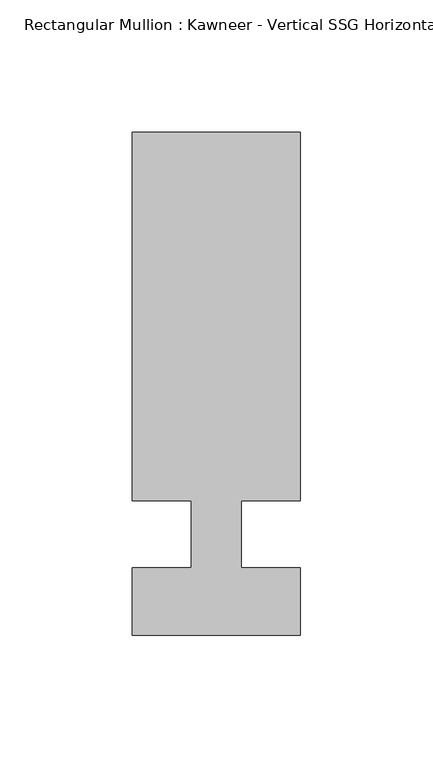
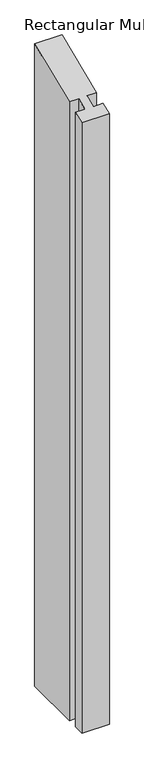
"""IFC4 building model written with IfcOpenShell, lengths in millimetres: member geometry."""

from ifc_helpers import new_model, si_unit, origin, place, context, project, spatial, faceted_brep, source, transform, mapped, element, save


def member_a1430536(model_context):
    return source(origin(), model_context, "Body", "Brep", [
        faceted_brep([(-9.525, -12.7, -1513.3330237), (-9.525, 12.7, -1513.3330237), (-31.75, 12.7, -1513.3330237), (-31.75, 151.892, -1513.3330237), (31.75, 151.892, -1513.3330237), (31.75, 12.7, -1513.3330237), (9.5251132, 12.7, -1513.3330237), (9.5251132, -12.7, -1513.3330237), (31.75, -12.7, -1513.3330237), (31.75, -38.1, -1513.3330237), (-31.75, -38.1, -1513.3330237), (-31.75, -12.7, -1513.3330237), (-31.75, -38.1, -15.7815367), (-31.75, -12.7, -5.2605122), (31.75, -38.1, -15.7815367), (31.75, -12.7, -5.2605122), (9.5251132, -12.7, -5.2605122), (9.5251132, 12.7, 5.2605122), (31.75, 12.7, 5.2605122), (31.75, 151.892, 62.9157264), (-31.75, 151.892, 62.9157264), (-31.75, 12.7, 5.2605122), (-9.525, 12.7, 5.2605122), (-9.525, -12.7, -5.2605122)], [[[0, 1, 2, 3, 4, 5, 6, 7, 8, 9, 10, 11]], [[12, 13, 11, 10]], [[14, 12, 10, 9]], [[15, 14, 9, 8]], [[16, 15, 8, 7]], [[17, 16, 7, 6]], [[18, 17, 6, 5]], [[19, 18, 5, 4]], [[20, 19, 4, 3]], [[21, 20, 3, 2]], [[22, 21, 2, 1]], [[23, 22, 1, 0]], [[13, 23, 0, 11]], [[23, 13, 12, 14, 15, 16, 17, 18, 19, 20, 21, 22]]]),
    ])


if __name__ == "__main__":
    model = new_model("IFC4")
    model_context = context("Model", 3, world=origin())
    ifc_project = project(units=[si_unit("LENGTHUNIT", "METRE", prefix="MILLI")], contexts=[model_context])
    site = spatial("IfcSite", under=ifc_project)
    building = spatial("IfcBuilding", under=site)
    placement = place(None, origin())
    member_shape = member_a1430536(model_context)
    element("IfcMember", 1, ObjectType="Rectangular Mullion : Kawneer - Vertical SSG Horizontal Mullion - 7 1/2\"", at=placement, inside=building, context=model_context, shape_type="MappedRepresentation", body=[
        mapped(member_shape, transform((0.0, 0.0, 0.0), x_axis=(1.0, 0.0, 0.0), y_axis=(0.0, 1.0, 0.0), z_axis=(0.0, 0.0, 1.0))),
    ])
    save(model, "model.ifc")
